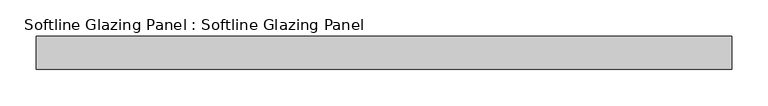
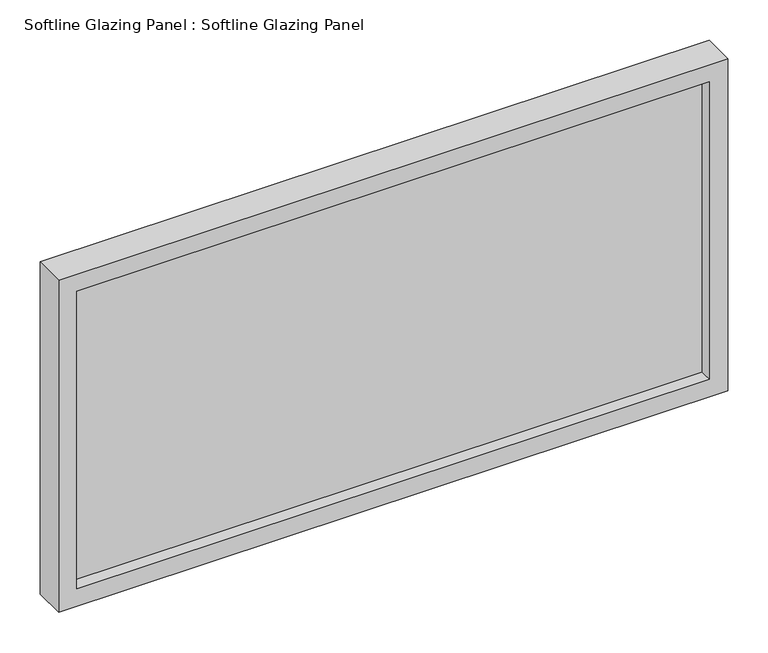
"""IFC4 building model written with IfcOpenShell, lengths in millimetres: plate geometry, Softline Glazing Panel : Softline Glazing Panel."""

from ifc_helpers import new_model, si_unit, frame, origin, place, context, project, spatial, polyline, outline, extrude, faceted_brep, source, transform, mapped, element, save


def softline_glazing_panel_softline_glazing_panel_a7bf0c51(model_context):
    return source(origin(), model_context, "Body", "SolidModel", [
        extrude(outline(polyline([(461.0, 4.0), (461.0, -4.0), (-461.0, -4.0), (-461.0, 4.0), (461.0, 4.0)])), frame((0.0, 0.0, 16.0), z_axis=(0.0, 0.0, 1.0), x_axis=(1.0, 0.0, 0.0)), (0.0, 0.0, 1.0), 468.804515),
        faceted_brep([(451.0, 4.0, 26.0), (451.0, 22.5, 26.0), (-451.0, 22.5, 26.0), (-451.0, 4.0, 26.0), (461.0, -4.0, 16.0), (461.0, 4.0, 16.0), (-461.0, 4.0, 16.0), (-461.0, -4.0, 16.0), (451.0, -22.5, 26.0), (451.0, -4.0, 26.0), (-451.0, -4.0, 26.0), (-451.0, -22.5, 26.0), (477.0, 22.5, 0.0), (477.0, -22.5, 0.0), (-477.0, -22.5, 0.0), (-477.0, 22.5, 0.0), (-451.0, 22.5, 474.804515), (-451.0, 4.0, 474.804515), (-461.0, 4.0, 484.804515), (-461.0, -4.0, 484.804515), (-451.0, -4.0, 474.804515), (-451.0, -22.5, 474.804515), (-477.0, -22.5, 500.804515), (-477.0, 22.5, 500.804515), (451.0, 22.5, 474.804515), (451.0, 4.0, 474.804515), (461.0, 4.0, 484.804515), (461.0, -4.0, 484.804515), (451.0, -4.0, 474.804515), (451.0, -22.5, 474.804515), (477.0, -22.5, 500.804515), (477.0, 22.5, 500.804515)], [[[0, 1, 2, 3]], [[4, 5, 6, 7]], [[8, 9, 10, 11]], [[12, 13, 14, 15]], [[3, 2, 16, 17]], [[7, 6, 18, 19]], [[11, 10, 20, 21]], [[15, 14, 22, 23]], [[17, 16, 24, 25]], [[19, 18, 26, 27]], [[21, 20, 28, 29]], [[23, 22, 30, 31]], [[15, 23, 31, 12], [1, 24, 16, 2]], [[25, 24, 1, 0]], [[5, 26, 18, 6], [3, 17, 25, 0]], [[27, 26, 5, 4]], [[7, 19, 27, 4], [9, 28, 20, 10]], [[29, 28, 9, 8]], [[13, 30, 22, 14], [11, 21, 29, 8]], [[31, 30, 13, 12]]]),
    ])


if __name__ == "__main__":
    model = new_model("IFC4")
    model_context = context("Model", 3, world=origin())
    ifc_project = project(units=[si_unit("LENGTHUNIT", "METRE", prefix="MILLI")], contexts=[model_context])
    site = spatial("IfcSite", under=ifc_project)
    building = spatial("IfcBuilding", under=site)
    placement = place(None, origin())
    softline_glazing_panel_softline_glazing_panel_shape = softline_glazing_panel_softline_glazing_panel_a7bf0c51(model_context)
    element("IfcPlate", 1, ObjectType="Softline Glazing Panel : Softline Glazing Panel", at=placement, inside=building, context=model_context, shape_type="MappedRepresentation", body=[
        mapped(softline_glazing_panel_softline_glazing_panel_shape, transform((0.0, 0.0, 0.0), x_axis=(1.0, 0.0, 0.0), y_axis=(0.0, 1.0, 0.0), z_axis=(0.0, 0.0, 1.0))),
    ])
    save(model, "model.ifc")
